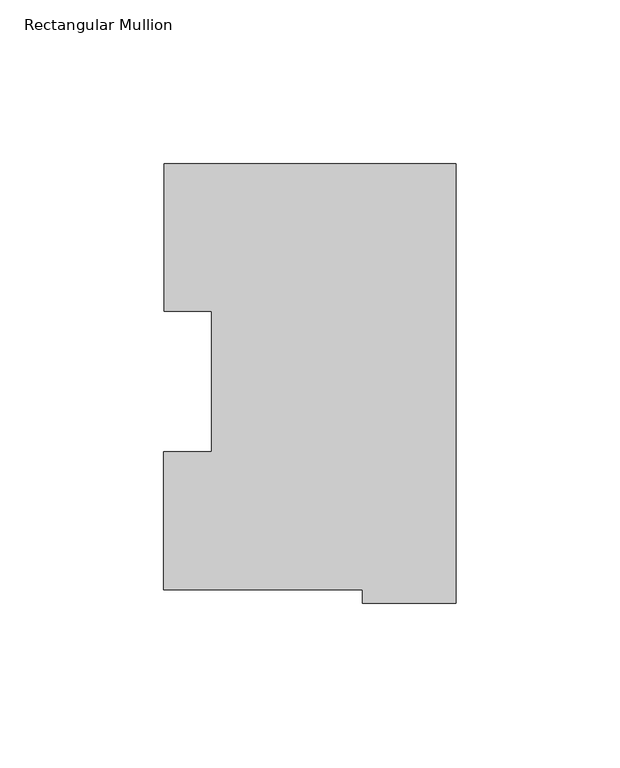
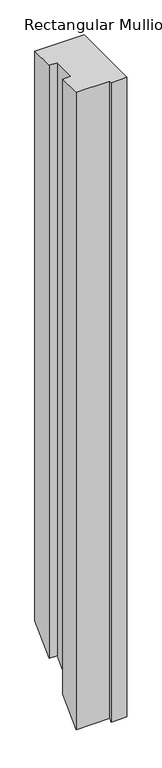
"""IFC4 building model written with IfcOpenShell, lengths in millimetres: member geometry, Rectangular Mullion."""

from ifc_helpers import new_model, si_unit, origin, place, context, project, spatial, faceted_brep, source, transform, mapped, element, save


def rectangular_mullion_05ce2e7b(model_context):
    return source(origin(), model_context, "Body", "Brep", [
        faceted_brep([(-28.56992, 0.2428875, 0.0), (-28.56992, -3.9735125, 0.0), (0.0, -3.9735125, 0.0), (0.0, 130.0368875, 0.0), (-88.99652, 130.0368875, 0.0), (-88.99652, 85.1296875, 0.0), (-74.6252, 85.1296875, 0.0), (-74.6252, 42.2798875, 0.0), (-89.1408142, 42.2798875, 0.0), (-89.1408142, 0.2428875, 0.0), (-28.56992, 0.2428875, -1218.9547312), (-28.56992, -3.9735125, -1223.1711312), (0.0, -3.9735125, -1223.1711312), (0.0, 130.0368875, -1089.1607312), (-88.99652, 130.0368875, -1089.1607312), (-88.99652, 85.1296875, -1134.0679312), (-74.6252, 85.1296875, -1134.0679312), (-74.6252, 42.2798875, -1176.9177312), (-89.1408142, 42.2798875, -1176.9177312), (-89.1408142, 0.2428875, -1218.9547312)], [[[0, 1, 2, 3, 4, 5, 6, 7, 8, 9]], [[1, 0, 10, 11]], [[2, 1, 11, 12]], [[3, 2, 12, 13]], [[4, 3, 13, 14]], [[5, 4, 14, 15]], [[6, 5, 15, 16]], [[7, 6, 16, 17]], [[8, 7, 17, 18]], [[9, 8, 18, 19]], [[0, 9, 19, 10]], [[10, 19, 18, 17, 16, 15, 14, 13, 12, 11]]]),
    ])


if __name__ == "__main__":
    model = new_model("IFC4")
    model_context = context("Model", 3, world=origin())
    ifc_project = project(units=[si_unit("LENGTHUNIT", "METRE", prefix="MILLI")], contexts=[model_context])
    site = spatial("IfcSite", under=ifc_project)
    building = spatial("IfcBuilding", under=site)
    placement = place(None, origin())
    rectangular_mullion_shape = rectangular_mullion_05ce2e7b(model_context)
    element("IfcMember", 1, ObjectType="Rectangular Mullion", at=placement, inside=building, context=model_context, shape_type="MappedRepresentation", body=[
        mapped(rectangular_mullion_shape, transform((0.0, 0.0, 0.0), x_axis=(1.0, 0.0, 0.0), y_axis=(0.0, 1.0, 0.0), z_axis=(0.0, 0.0, 1.0))),
    ])
    save(model, "model.ifc")
